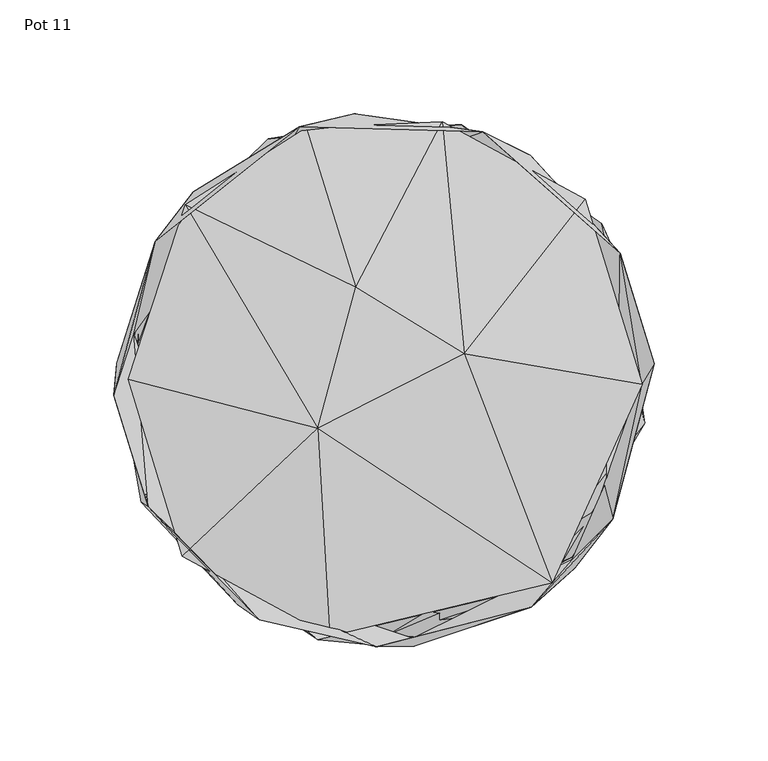
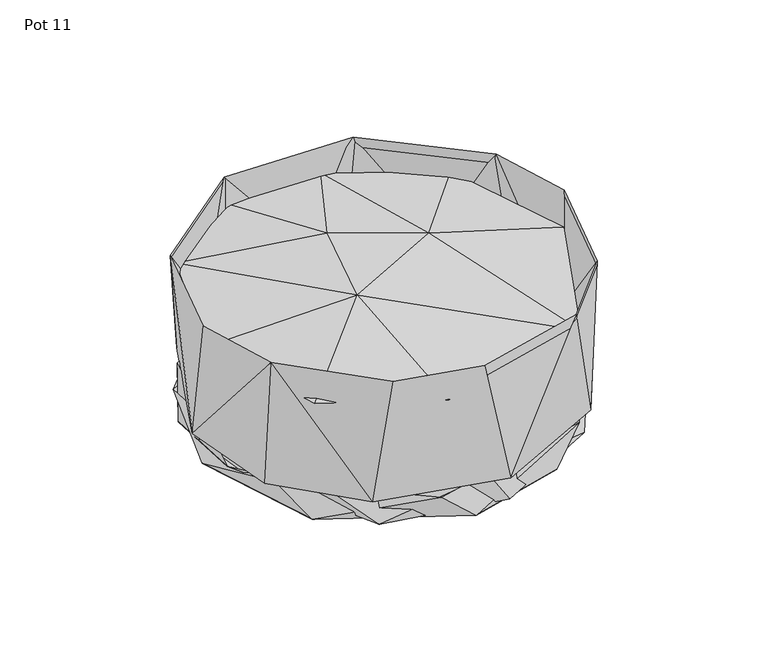
"""IFC4 building model written with IfcOpenShell, lengths in millimetres: furniture geometry, Pot 11."""

from ifc_helpers import new_model, si_unit, origin, place, context, project, spatial, triangles, source, transform, mapped, element, save


def pot_11_c936a905(model_context):
    return source(origin(), model_context, "Body", "Tessellation", [
        triangles([(-13.1196377, 117.1413691, 20.6978146), (43.4986349, 109.1595888, 102.2909401), (64.3171679, 98.8833266, 20.6978146), (26.9153107, 111.1534261, 23.5565268), (-37.2410408, 111.3777129, 102.280403), (103.7971345, 55.7680713, 102.1796733), (-64.3154965, -98.8842258, 20.6978146), (13.1204133, -117.1413691, 20.6978146), (-3.5401582, -117.454286, 102.2930476), (-54.955421, -105.5464736, 102.2909401), (-103.7971981, -55.7686072, 102.1794281), (-106.8934753, -53.8474309, 20.6978146), (12.7243403, -113.6558079, 23.5565268), (-72.653832, -85.2986543, 23.5565268), (64.7591967, -99.8867718, 102.2584022), (82.8040845, -78.8860279, 23.5565268), (83.8728511, -82.7976442, 20.6978146), (-110.1976614, 20.2702289, 23.5565268), (100.4954556, -61.3534453, 102.1657479), (114.1387181, -7.2036982, 23.5565268), (115.2768753, 6.7696574, 20.6978146), (-117.6402576, 7.4207782, 20.6978146), (118.8856939, 7.0389508, 102.2057618), (92.0665824, 67.8473712, 23.5565268), (-118.9404144, -6.7878959, 102.155447), (-100.6475085, 60.9883649, 102.1597799), (-83.8731508, 82.7973444, 20.6978146), (-50.8293511, 102.4495333, 23.5565268)], [[1, 2, 3], [4, 2, 5], [3, 2, 6], [7, 8, 9], [7, 9, 10], [7, 10, 11], [7, 11, 12], [13, 14, 9], [13, 9, 15], [13, 15, 16], [8, 17, 15], [8, 15, 9], [14, 10, 9], [14, 11, 10], [14, 18, 11], [16, 15, 19], [16, 19, 20], [17, 19, 15], [17, 21, 19], [12, 11, 22], [20, 19, 23], [20, 23, 6], [20, 6, 24], [22, 11, 25], [22, 25, 26], [22, 26, 27], [18, 26, 25], [18, 25, 11], [18, 28, 26], [21, 23, 19], [21, 6, 23], [21, 3, 6], [27, 5, 1], [27, 26, 5], [24, 2, 4], [24, 6, 2], [28, 5, 26], [28, 4, 5], [1, 5, 2]], closed=False),
        triangles([(73.9027838, -89.1240839, 81.5537611), (35.3482966, 11.6438864, 99.6733946), (-29.2765492, -21.2543009, 100.5994645), (-112.4594238, 0.2850294, 81.9642012), (-87.5448017, 77.1786557, 82.7148821), (-12.3526458, 40.8447407, 98.5445573), (113.4757407, -1.799345, 84.3892985), (88.4480442, 79.5821518, 81.1407413), (25.4973763, 113.6206356, 81.7323022), (-34.1668734, 110.8655349, 83.0436684), (-88.848592, -77.5131012, 82.6187125), (-23.9076613, -112.7673356, 83.3351204)], [[1, 2, 3], [4, 3, 5], [3, 2, 6], [3, 6, 5], [7, 8, 2], [2, 9, 6], [2, 8, 9], [6, 10, 5], [6, 9, 10], [11, 12, 3], [11, 3, 4], [12, 1, 3], [1, 7, 2]], closed=False),
        triangles([(-59.6709262, -97.9592823, 3.0986384), (1.9353033, -112.0793779, 23.54088), (14.6763321, -113.0980294, 3.3756993), (-81.8524348, -79.8521027, 23.54088), (114.5341427, -3.150344, 3.1497683), (22.6958985, 112.3962372, 3.1139658), (-106.0805344, 42.7582867, 3.2345949), (-111.4685504, -20.5929268, 13.3791377), (-29.1850577, -114.1679314, 20.6958593), (-8.3174111, -116.180899, 2.3156612), (72.3868016, -89.9387599, 20.6958593), (-88.5674319, -74.5162955, 2.5861697), (-101.1422911, -55.6694263, 20.6958593), (-113.2144376, 4.1064025, 1.208237), (53.0332909, -98.7278219, 1.151257), (82.4063981, -78.2749642, 3.5544785), (98.0310439, -54.3639646, 23.54088), (104.3000199, 49.6813652, 2.1015474), (114.6096559, -19.0802807, 14.6661594), (-16.1660315, 111.6198856, 1.0775457), (-101.1720858, 57.1285487, 14.6661594), (97.7029844, 57.4756842, 13.3791377), (-92.8533712, 66.7418836, 23.54088), (95.7420485, 68.6984639, 20.6958593), (-39.6361935, 106.1991409, 13.3790208), (-51.0284305, 106.2175627, 20.6958593), (49.604653, 103.0316925, 23.54088), (34.2038874, 112.2086669, 16.4620243)], [[1, 2, 3], [1, 4, 2], [1, 3, 5], [1, 5, 6], [1, 6, 7], [1, 7, 8], [1, 8, 4], [9, 10, 11], [9, 12, 10], [9, 13, 12], [10, 12, 14], [10, 14, 15], [10, 15, 11], [2, 16, 3], [2, 17, 16], [3, 16, 5], [15, 18, 19], [15, 14, 20], [15, 20, 18], [15, 19, 11], [12, 13, 14], [16, 17, 5], [13, 21, 14], [17, 22, 5], [8, 7, 23], [5, 22, 6], [19, 18, 24], [14, 21, 20], [7, 6, 25], [7, 25, 23], [21, 26, 20], [22, 27, 6], [18, 28, 24], [18, 20, 28], [26, 28, 20], [25, 6, 27]], closed=False),
    ])


if __name__ == "__main__":
    model = new_model("IFC4")
    model_context = context("Model", 3, world=origin())
    ifc_project = project(units=[si_unit("LENGTHUNIT", "METRE", prefix="MILLI")], contexts=[model_context])
    site = spatial("IfcSite", under=ifc_project)
    building = spatial("IfcBuilding", under=site)
    placement = place(None, origin())
    pot_11_shape = pot_11_c936a905(model_context)
    element("IfcFurniture", 1, ObjectType="Pot 11", at=placement, inside=building, context=model_context, shape_type="MappedRepresentation", body=[
        mapped(pot_11_shape, transform((0.0, 0.0, 0.0), x_axis=(1.0, 0.0, 0.0), y_axis=(0.0, 1.0, 0.0), z_axis=(0.0, 0.0, 1.0))),
    ])
    save(model, "model.ifc")
